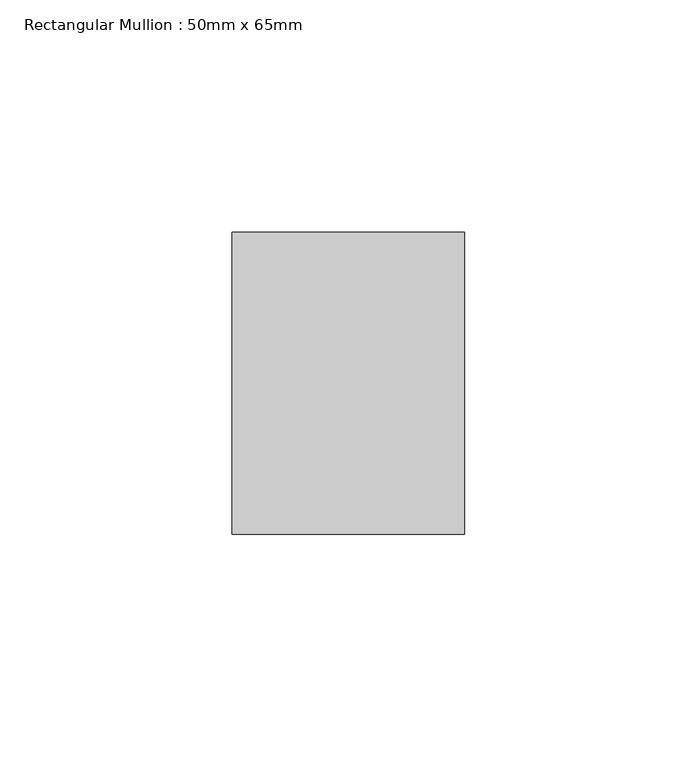
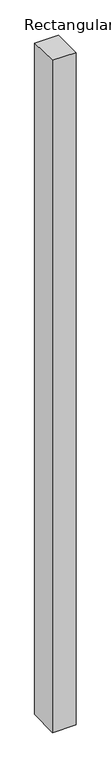
"""IFC4 building model written with IfcOpenShell, lengths in millimetres: member geometry, Rectangular Mullion : 50mm x 65mm."""

from ifc_helpers import new_model, si_unit, origin, place, context, project, spatial, faceted_brep, source, transform, mapped, element, save


def rectangular_mullion_50mm_x_65mm_a35c73f5(model_context):
    return source(origin(), model_context, "Body", "Brep", [
        faceted_brep([(-25.0, 32.5, -0.5683222), (25.0, 32.5, -0.5683174), (25.0, 32.5, -1499.2871951), (-25.0, 32.5, -1499.287189), (-25.0, -32.5, 0.5683174), (-25.0, -32.5, -1500.7126051), (25.0, -32.5, 0.5683222), (25.0, -32.5, -1500.7126111)], [[[0, 1, 2, 3]], [[4, 0, 3, 5]], [[6, 4, 5, 7]], [[1, 6, 7, 2]], [[1, 0, 4, 6]], [[2, 7, 5, 3]]]),
    ])


if __name__ == "__main__":
    model = new_model("IFC4")
    model_context = context("Model", 3, world=origin())
    ifc_project = project(units=[si_unit("LENGTHUNIT", "METRE", prefix="MILLI")], contexts=[model_context])
    site = spatial("IfcSite", under=ifc_project)
    building = spatial("IfcBuilding", under=site)
    placement = place(None, origin())
    rectangular_mullion_50mm_x_65mm_shape = rectangular_mullion_50mm_x_65mm_a35c73f5(model_context)
    element("IfcMember", 1, ObjectType="Rectangular Mullion : 50mm x 65mm", at=placement, inside=building, context=model_context, shape_type="MappedRepresentation", body=[
        mapped(rectangular_mullion_50mm_x_65mm_shape, transform((0.0, 0.0, 0.0), x_axis=(1.0, 0.0, 0.0), y_axis=(0.0, 1.0, 0.0), z_axis=(0.0, 0.0, 1.0))),
    ])
    save(model, "model.ifc")
